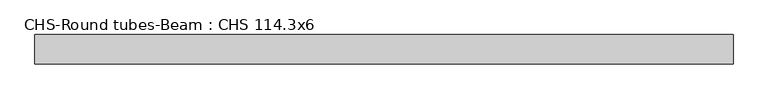
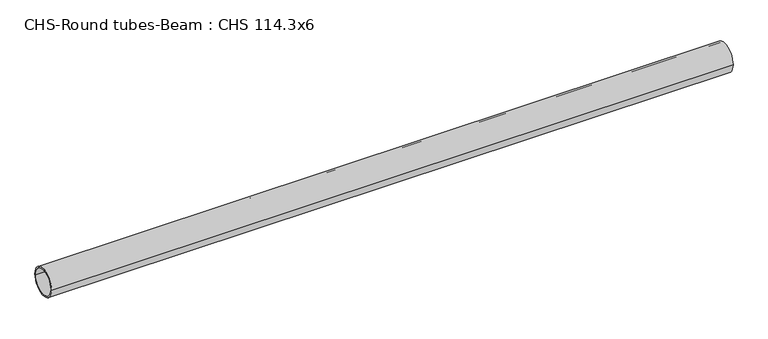
"""IFC4 building model written with IfcOpenShell, lengths in millimetres: beam geometry, CHS-Round tubes-Beam : CHS 114.3x6."""

from ifc_helpers import new_model, si_unit, point, frame, origin, origin_2d, place, context, project, spatial, circle_curve, trimmed, segment, composite_curve, outline, extrude, source, transform, mapped, element, save


def chs_round_tubes_beam_chs_114_3x6_ca6d773e(model_context):
    return source(origin(), model_context, "Body", "SweptSolid", [
        extrude(outline(composite_curve([segment(trimmed(circle_curve(origin_2d(), 57.15), [point((57.15, 0.0))], [point((-57.15, 0.0))], False, "CARTESIAN"), True, "CONTINUOUS"), segment(trimmed(circle_curve(origin_2d(), 57.15), [point((-57.15, 0.0))], [point((57.15, 0.0))], False, "CARTESIAN"), True, "CONTINUOUS")], self_intersect=False), holes=[composite_curve([segment(trimmed(circle_curve(origin_2d(), 51.15), [point((51.15, 0.0))], [point((-51.15, 0.0))], True, "CARTESIAN"), True, "CONTINUOUS"), segment(trimmed(circle_curve(origin_2d(), 51.15), [point((-51.15, 0.0))], [point((51.15, 0.0))], True, "CARTESIAN"), True, "CONTINUOUS")], self_intersect=False)]), frame((-1277.5223147, 0.0, 0.0), z_axis=(1.0, 0.0, 0.0), x_axis=(0.0, 1.0, 0.0)), (0.0, 0.0, 1.0), 2720.678086),
    ])


if __name__ == "__main__":
    model = new_model("IFC4")
    model_context = context("Model", 3, world=origin())
    ifc_project = project(units=[si_unit("LENGTHUNIT", "METRE", prefix="MILLI")], contexts=[model_context])
    site = spatial("IfcSite", under=ifc_project)
    building = spatial("IfcBuilding", under=site)
    placement = place(None, origin())
    chs_round_tubes_beam_chs_114_3x6_shape = chs_round_tubes_beam_chs_114_3x6_ca6d773e(model_context)
    element("IfcBeam", 1, ObjectType="CHS-Round tubes-Beam : CHS 114.3x6", at=placement, inside=building, context=model_context, shape_type="MappedRepresentation", body=[
        mapped(chs_round_tubes_beam_chs_114_3x6_shape, transform((0.0, 0.0, 0.0), x_axis=(1.0, 0.0, 0.0), y_axis=(0.0, 1.0, 0.0), z_axis=(0.0, 0.0, 1.0))),
    ])
    save(model, "model.ifc")
